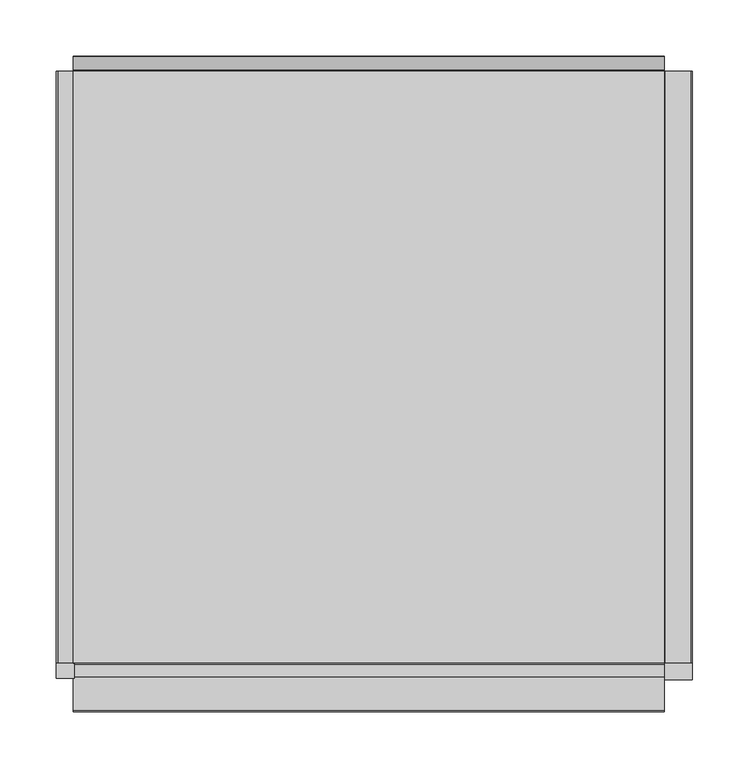
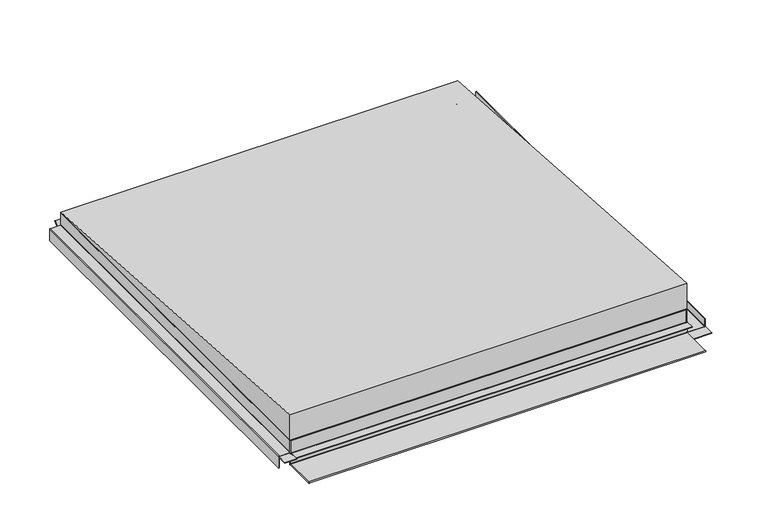
"""IFC4 building model written with IfcOpenShell, lengths in millimetres: proxy geometry."""

from ifc_helpers import new_model, si_unit, point, frame, frame_2d, origin, origin_with_axes, place, context, project, spatial, polyline, circle_curve, trimmed, segment, composite_curve, outline, extrude, faceted_brep, source, transform, mapped, element, save


def generic_models_76ad2b43(model_context):
    return source(origin(), model_context, "Body", "SolidModel", [
        extrude(outline(composite_curve([segment(trimmed(circle_curve(frame_2d((17.2, -263.0)), 1.3), [point((15.9, -263.0))], [point((17.2, -261.7))], False, "CARTESIAN"), True, "CONTINUOUS"), segment(polyline([(17.2, -261.7), (33.33125, -261.7), (33.33125, -262.5), (17.2, -262.5)]), True, "CONTINUOUS"), segment(trimmed(circle_curve(frame_2d((17.2, -263.0)), 0.5), [point((17.2, -262.5))], [point((16.7, -263.0))], True, "CARTESIAN"), True, "CONTINUOUS"), segment(polyline([(16.7, -263.0), (16.7, -276.2)]), True, "CONTINUOUS"), segment(trimmed(circle_curve(frame_2d((15.4, -276.2)), 1.3), [point((16.7, -276.2))], [point((15.4, -277.5))], False, "CARTESIAN"), True, "CONTINUOUS"), segment(polyline([(15.4, -277.5), (0.33125, -277.5), (0.33125, -276.7), (15.4, -276.7)]), True, "CONTINUOUS"), segment(trimmed(circle_curve(frame_2d((15.4, -276.2)), 0.5), [point((15.4, -276.7))], [point((15.9, -276.2))], True, "CARTESIAN"), True, "CONTINUOUS"), segment(polyline([(15.9, -276.2), (15.9, -263.0)]), True, "CONTINUOUS")], self_intersect=False)), frame((0.0, -262.5, 0.0), z_axis=(0.0, 1.0, 0.0), x_axis=(0.0, 0.0, 1.0)), (0.0, 0.0, 1.0), 525.0),
        extrude(outline(polyline([(-277.5, -276.5), (-277.5, -262.5), (-261.7, -262.5), (-261.7, -276.5), (-277.5, -276.5)])), frame((0.0, 0.0, 15.9), z_axis=(0.0, 0.0, 1.0), x_axis=(1.0, 0.0, 0.0)), (0.0, 0.0, 1.0), 0.8),
        extrude(outline(composite_curve([segment(trimmed(circle_curve(frame_2d((1.63125, 285.9)), 1.3), [point((0.33125, 285.9))], [point((1.63125, 287.2))], False, "CARTESIAN"), True, "CONTINUOUS"), segment(polyline([(1.63125, 287.2), (11.33125, 287.2), (11.33125, 286.4), (1.63125, 286.4)]), True, "CONTINUOUS"), segment(trimmed(circle_curve(frame_2d((1.63125, 285.9)), 0.5), [point((1.63125, 286.4))], [point((1.13125, 285.9))], True, "CARTESIAN"), True, "CONTINUOUS"), segment(polyline([(1.13125, 285.9), (1.13125, 263.0)]), True, "CONTINUOUS"), segment(trimmed(circle_curve(frame_2d((1.63125, 263.0)), 0.5), [point((1.13125, 263.0))], [point((1.63125, 262.5))], True, "CARTESIAN"), True, "CONTINUOUS"), segment(polyline([(1.63125, 262.5), (33.33125, 262.5), (33.33125, 261.7), (1.63125, 261.7)]), True, "CONTINUOUS"), segment(trimmed(circle_curve(frame_2d((1.63125, 263.0)), 1.3), [point((1.63125, 261.7))], [point((0.33125, 263.0))], False, "CARTESIAN"), True, "CONTINUOUS"), segment(polyline([(0.33125, 263.0), (0.33125, 285.9)]), True, "CONTINUOUS")], self_intersect=False)), frame((0.0, -262.5, 0.0), z_axis=(0.0, 1.0, 0.0), x_axis=(0.0, 0.0, 1.0)), (0.0, 0.0, 1.0), 525.0),
        extrude(outline(polyline([(287.2, -277.5), (261.7, -277.5), (261.7, -262.5), (287.2, -262.5), (287.2, -277.5)])), frame((0.0, 0.0, 0.33125), z_axis=(0.0, 0.0, 1.0), x_axis=(1.0, 0.0, 0.0)), (0.0, 0.0, 1.0), 0.8),
        extrude(outline(composite_curve([segment(polyline([(-263.0, 0.0), (-305.15, 0.0)]), True, "CONTINUOUS"), segment(trimmed(circle_curve(frame_2d((-305.15, 0.85)), 0.85), [point((-305.15, 0.0))], [point((-305.15, 1.7))], False, "CARTESIAN"), True, "CONTINUOUS"), segment(polyline([(-305.15, 1.7), (-264.05, 1.7)]), True, "CONTINUOUS"), segment(trimmed(circle_curve(frame_2d((-264.05, 2.2)), 0.5), [point((-264.05, 1.7))], [point((-263.55, 2.2))], True, "CARTESIAN"), True, "CONTINUOUS"), segment(polyline([(-263.55, 2.2), (-263.55, 15.4)]), True, "CONTINUOUS"), segment(trimmed(circle_curve(frame_2d((-264.05, 15.4)), 0.5), [point((-263.55, 15.4))], [point((-264.05, 15.9))], True, "CARTESIAN"), True, "CONTINUOUS"), segment(polyline([(-264.05, 15.9), (-275.15, 15.9), (-275.15, 16.7), (-264.05, 16.7)]), True, "CONTINUOUS"), segment(trimmed(circle_curve(frame_2d((-264.05, 15.4)), 1.3), [point((-264.05, 16.7))], [point((-262.75, 15.4))], False, "CARTESIAN"), True, "CONTINUOUS"), segment(polyline([(-262.75, 15.4), (-262.75, 2.4014965)]), True, "CONTINUOUS"), segment(trimmed(circle_curve(frame_2d((-264.05, 2.4014965)), 1.3), [point((-262.75, 2.4014965))], [point((-264.05, 1.1014965))], False, "CARTESIAN"), True, "CONTINUOUS"), segment(polyline([(-264.05, 1.1014965), (-304.3115501, 1.1014965)]), True, "CONTINUOUS"), segment(trimmed(circle_curve(frame_2d((-304.3115501, 0.699934)), 0.4015625), [point((-304.3115501, 1.1014965))], [point((-304.3115501, 0.2983715))], True, "CARTESIAN"), True, "CONTINUOUS"), segment(polyline([(-304.3115501, 0.2983715), (-263.0, 0.2983715)]), True, "CONTINUOUS"), segment(trimmed(circle_curve(frame_2d((-263.0, 0.7983715)), 0.5), [point((-263.0, 0.2983715))], [point((-262.5, 0.7983715))], True, "CARTESIAN"), True, "CONTINUOUS"), segment(polyline([(-262.5, 0.7983715), (-262.5, 33.0), (-261.7, 33.0), (-261.7, 1.3)]), True, "CONTINUOUS"), segment(trimmed(circle_curve(frame_2d((-263.0, 1.3)), 1.3), [point((-261.7, 1.3))], [point((-263.0, 0.0))], False, "CARTESIAN"), True, "CONTINUOUS")], self_intersect=False)), frame((-262.5, 0.0, 0.0), z_axis=(1.0, 0.0, 0.0), x_axis=(0.0, 1.0, 0.0)), (0.0, 0.0, 1.0), 525.0),
        extrude(outline(composite_curve([segment(trimmed(circle_curve(frame_2d((263.0, 3.3)), 0.5), [point((262.5, 3.3))], [point((263.4778194, 3.4472706))], True, "CARTESIAN"), True, "CONTINUOUS"), segment(polyline([(263.4778194, 3.4472706), (275.3707904, 15.3402417), (275.9627491, 14.748283), (264.2783838, 3.0639176)]), True, "CONTINUOUS"), segment(trimmed(circle_curve(frame_2d((263.0, 3.3)), 1.3), [point((264.2783838, 3.0639176))], [point((261.7, 3.3))], False, "CARTESIAN"), True, "CONTINUOUS"), segment(polyline([(261.7, 3.3), (261.7, 33.0), (262.5, 33.0), (262.5, 3.3)]), True, "CONTINUOUS")], self_intersect=False)), frame((-262.5, 0.0, 0.0), z_axis=(1.0, 0.0, 0.0), x_axis=(0.0, 1.0, 0.0)), (0.0, 0.0, 1.0), 525.0),
        faceted_brep([(-262.5, -262.5, 34.0), (262.5, -262.5, 34.0), (262.5, 262.5, 34.0), (-262.5, 262.5, 34.0), (-262.5, -262.5, 33.0), (-262.5, -261.7, 33.0), (-262.5, 262.5, 33.0), (262.5, 262.5, 33.0), (262.5, -261.7, 33.0), (262.5, -262.5, 33.0)], [[[0, 1, 2, 3]], [[4, 5, 6, 7, 8, 9]], [[3, 6, 5, 4, 0]], [[2, 7, 6, 3]], [[1, 9, 8, 7, 2]], [[0, 4, 9, 1]]]),
        extrude(outline(polyline([(-262.5, 33.8), (-262.5, 70.0), (262.5, 35.0), (262.5, 33.8), (-262.5, 33.8)])), frame((-262.5, 0.0, 0.0), z_axis=(1.0, 0.0, 0.0), x_axis=(0.0, 1.0, 0.0)), (0.0, 0.0, 1.0), 525.0),
        extrude(outline(polyline([(-0.1220666, -180.1921617), (-13.0867626, -150.6305075), (-9.91791, -150.6305075), (-5.4617951, -161.0090595), (5.3292249, -161.0090595), (9.8335793, -150.6925142), (13.0024319, -150.6925142), (-0.1220666, -180.1921617)]), holes=[polyline([(-0.0961477, -173.454525), (4.2611547, -163.4439826), (-4.4070417, -163.4439826), (-0.0961477, -173.454525)])]), origin_with_axes(), (0.0, 0.0, 1.0), 10.0),
        extrude(outline(polyline([(-15.8168514, 123.0984911), (-13.4786603, 124.898283), (-8.883038, 121.2256309), (-2.9952575, 119.9757754), (3.5001451, 121.6909616), (8.1342245, 126.2981211), (9.7801879, 132.8050607), (6.1036901, 141.9193911), (-3.1721601, 145.5728147), (-13.4786603, 140.6503072), (-15.8168514, 142.4270247), (-10.3674817, 146.5688534), (-3.0721717, 148.0340685), (9.0187375, 142.9577326), (12.7336925, 132.6050839), (8.2380586, 121.87171), (-3.0337146, 117.5145216), (-10.4136302, 118.9835825), (-15.8168514, 123.0984911)])), origin_with_axes(), (0.0, 0.0, 1.0), 10.0),
        extrude(outline(polyline([(158.201296, 9.7210736), (159.5670006, -19.7823797), (153.3973983, -20.0679684), (143.6521313, -19.4565212), (136.6379106, -14.553142), (133.7891417, -5.8227088), (135.3602994, 2.0690182), (140.1509798, 7.276303), (148.7279215, 9.2825544), (158.201296, 9.7210736)]), holes=[polyline([(155.3647594, 7.125882), (151.930373, 6.9669055), (143.415258, 5.787379), (138.3309508, 1.5174095), (136.7387757, -5.670772), (139.1692819, -13.1000757), (145.1683672, -17.1149372), (154.3976522, -17.5577777), (156.5028466, -17.460329), (155.3647594, 7.125882)])]), origin_with_axes(), (0.0, 0.0, 1.0), 10.0),
        extrude(outline(polyline([(-125.6404678, -14.5350453), (-131.4474885, -14.5350453), (-136.8353268, -13.7159093), (-139.8080599, -11.2008156), (-140.9002413, -7.4281751), (-139.965734, -3.9055056), (-137.2237434, -1.3288805), (-140.7502586, 0.5324426), (-142.6731131, 3.1206048), (-143.361495, 6.408686), (-140.75795, 12.5041348), (-133.7702967, 15.0), (-125.6404678, 15.0), (-125.6404678, -14.5350453)]), holes=[polyline([(-128.5939724, -12.0737916), (-128.5939724, -2.2287765), (-130.2860843, -2.2287765), (-134.8086382, -2.8248613), (-137.1006807, -4.7054131), (-137.9467367, -7.5589292), (-136.5276701, -10.8700846), (-132.0166534, -12.0737916), (-128.5939724, -12.0737916)]), polyline([(-128.5939724, 0.2324773), (-128.5939724, 12.5387462), (-132.2781616, 12.5387462), (-137.0506865, 11.8503643), (-139.488866, 9.700613), (-140.4079905, 6.5394401), (-139.1042951, 2.8091024), (-135.5162486, 0.6247396), (-130.2630101, 0.2324773), (-128.5939724, 0.2324773)])]), origin_with_axes(), (0.0, 0.0, 1.0), 10.0),
    ])


if __name__ == "__main__":
    model = new_model("IFC4")
    model_context = context("Model", 3, world=origin())
    ifc_project = project(units=[si_unit("LENGTHUNIT", "METRE", prefix="MILLI")], contexts=[model_context])
    site = spatial("IfcSite", under=ifc_project)
    building = spatial("IfcBuilding", under=site)
    placement = place(None, origin())
    generic_models_shape = generic_models_76ad2b43(model_context)
    element("IfcBuildingElementProxy", 1, Name="Generic Models", at=placement, inside=building, context=model_context, shape_type="MappedRepresentation", body=[
        mapped(generic_models_shape, transform((0.0, 0.0, 0.0), x_axis=(1.0, 0.0, 0.0), y_axis=(0.0, 1.0, 0.0), z_axis=(0.0, 0.0, 1.0))),
    ])
    save(model, "model.ifc")
